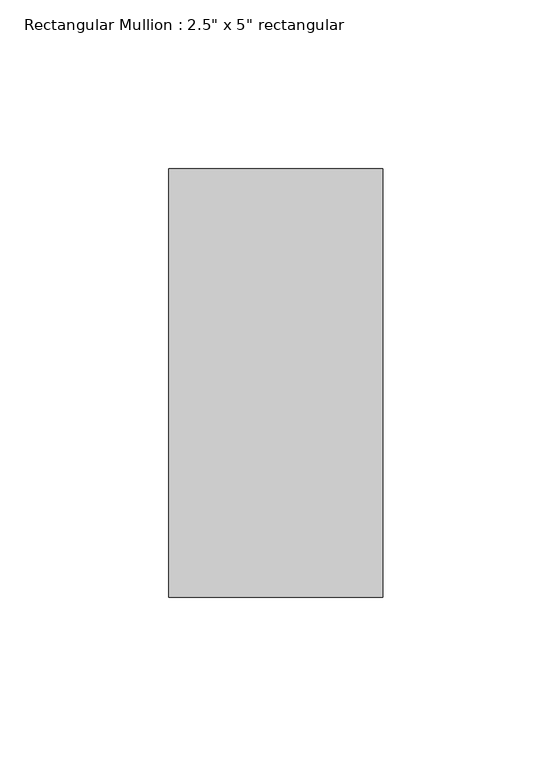
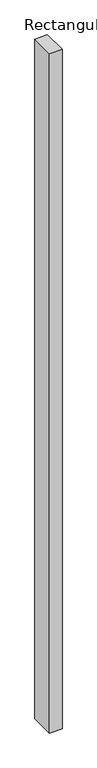
"""IFC4 building model written with IfcOpenShell, lengths in millimetres: member geometry."""

import ifcopenshell
import ifcopenshell.guid

model = None  # the IFC model being written
_history = None  # IfcOwnerHistory: only IFC2X3 demands one
_inside = {}  # id of a spatial element -> (the spatial element, [elements in it])
_under = {}  # id of a project, library or spatial element -> (it, [spatial elements below it])
_declared = {}  # id of a project -> (the project, [libraries it declares])
_typed = {}  # id of a type object -> (the type object, [elements of that type])
_made_of = {}  # id of a material, layer set ... -> (it, [elements and type objects made of it])


def new_model(schema):
    """Start an empty IFC model of exactly this schema.

    Asked for "IFC4X3", IfcOpenShell would pick the latest addendum, in which some entities
    have other attributes; the version numbers below select the first issue.
    IFC2X3 requires an IfcOwnerHistory on every rooted entity: one is made here for all.
    """
    global model, _history
    if schema == "IFC4X3":
        model = ifcopenshell.file(schema_version=(4, 3, 0, 0))
    else:
        model = ifcopenshell.file(schema=schema)
    _inside.clear()
    _under.clear()
    _declared.clear()
    _typed.clear()
    _made_of.clear()
    _history = None
    if model.schema == "IFC2X3":
        org = make("IfcOrganization", Name="unknown")
        user = make(
            "IfcPersonAndOrganization",
            ThePerson=make("IfcPerson", FamilyName="unknown"),
            TheOrganization=org,
        )
        app = make(
            "IfcApplication",
            ApplicationDeveloper=org,
            Version="unknown",
            ApplicationFullName="unknown",
            ApplicationIdentifier="unknown",
        )
        _history = make(
            "IfcOwnerHistory",
            OwningUser=user,
            OwningApplication=app,
            ChangeAction="ADDED",
            CreationDate=0,
        )
    return model


def make(cls, **values):
    """One entity of the class cls with the attributes given. An attribute that is None is left unset."""
    return model.create_entity(
        cls, **{name: value for name, value in values.items() if value is not None}
    )


def rooted(cls, **values):
    """An entity with a GlobalId (a new one), such as an element, a storey or a relation."""
    return make(cls, GlobalId=ifcopenshell.guid.new(), OwnerHistory=_history, **values)


def si_unit(unit_type, name, prefix=None):
    """IfcSIUnit, for example si_unit("LENGTHUNIT", "METRE", prefix="MILLI")."""
    return make("IfcSIUnit", UnitType=unit_type, Prefix=prefix, Name=name)


def assignment(units):
    """IfcUnitAssignment: the units of a project."""
    return None if units is None else make("IfcUnitAssignment", Units=units)


def point(xyz):
    """IfcCartesianPoint."""
    return None if xyz is None else make("IfcCartesianPoint", Coordinates=xyz)


def direction(xyz):
    """IfcDirection."""
    return None if xyz is None else make("IfcDirection", DirectionRatios=xyz)


def frame(location, z_axis=None, x_axis=None):
    """IfcAxis2Placement3D, a coordinate frame: its origin and axes. An axis left out is left unset."""
    return make(
        "IfcAxis2Placement3D",
        Location=point(location),
        Axis=direction(z_axis),
        RefDirection=direction(x_axis),
    )


def origin():
    """The frame at (0, 0, 0) with its axes left unset."""
    return frame((0.0, 0.0, 0.0))


def place(relative_to, where):
    """IfcLocalPlacement: puts the frame where relative to a parent placement (None: the world)."""
    return make(
        "IfcLocalPlacement", PlacementRelTo=relative_to, RelativePlacement=where
    )


def context(
    kind, dimensions, precision=None, world=None, true_north=None, identifier=None
):
    """IfcGeometricRepresentationContext, for example the 3D "Model" context."""
    return make(
        "IfcGeometricRepresentationContext",
        ContextIdentifier=identifier,
        ContextType=kind,
        CoordinateSpaceDimension=dimensions,
        Precision=precision,
        WorldCoordinateSystem=world,
        TrueNorth=true_north,
    )


def project(units=None, contexts=None):
    """IfcProject with its units and contexts."""
    return rooted(
        "IfcProject",
        Name="project",
        RepresentationContexts=contexts,
        UnitsInContext=assignment(units),
    )


def spatial(cls, under=None, at=None, **own):
    """A site, building, storey or space (cls), placed at a placement, below another one or the project."""
    s = rooted(cls, ObjectPlacement=at, **own)
    if under is not None:
        _under.setdefault(under.id(), (under, []))[1].append(s)
    return s


def polyline(points):
    """IfcPolyline through the points."""
    return make("IfcPolyline", Points=[point(p) for p in points])


def outline(outer, holes=None, kind="AREA"):
    """IfcArbitraryClosedProfileDef: a profile drawn as a closed curve; with holes, ...WithVoids."""
    if holes is None:
        return make("IfcArbitraryClosedProfileDef", ProfileType=kind, OuterCurve=outer)
    return make(
        "IfcArbitraryProfileDefWithVoids",
        ProfileType=kind,
        OuterCurve=outer,
        InnerCurves=holes,
    )


def extrude(swept, where, along, depth):
    """IfcExtrudedAreaSolid: the profile swept, set in the frame where, extruded along a direction by depth."""
    return make(
        "IfcExtrudedAreaSolid",
        SweptArea=swept,
        Position=where,
        ExtrudedDirection=direction(along),
        Depth=depth,
    )


def shape(context_of_items, identifier, shape_type, items):
    """IfcShapeRepresentation: the items that make up one representation, for example the "Body"."""
    return make(
        "IfcShapeRepresentation",
        ContextOfItems=context_of_items,
        RepresentationIdentifier=identifier,
        RepresentationType=shape_type,
        Items=items,
    )


def source(mapping_origin, context_of_items, identifier, shape_type, items):
    """IfcRepresentationMap: a shape defined once, which mapped items show again and again."""
    return make(
        "IfcRepresentationMap",
        MappingOrigin=mapping_origin,
        MappedRepresentation=shape(context_of_items, identifier, shape_type, items),
    )


def transform(
    local_origin,
    x_axis=None,
    y_axis=None,
    z_axis=None,
    scale=None,
    scale2=None,
    scale3=None,
    uniform=True,
):
    """IfcCartesianTransformationOperator3D, or its non-uniform kind. x_axis, y_axis, z_axis: its Axis1, 2, 3."""
    if uniform:
        return make(
            "IfcCartesianTransformationOperator3D",
            Axis1=direction(x_axis),
            Axis2=direction(y_axis),
            LocalOrigin=point(local_origin),
            Scale=scale,
            Axis3=direction(z_axis),
        )
    return make(
        "IfcCartesianTransformationOperator3DnonUniform",
        Axis1=direction(x_axis),
        Axis2=direction(y_axis),
        LocalOrigin=point(local_origin),
        Scale=scale,
        Axis3=direction(z_axis),
        Scale2=scale2,
        Scale3=scale3,
    )


def mapped(mapping_source, mapping_target):
    """IfcMappedItem: shows the shape of a source again, moved by a transform."""
    return make(
        "IfcMappedItem", MappingSource=mapping_source, MappingTarget=mapping_target
    )


def made_of(thing, what):
    """Note that an element or type object is made of a material, layer set ...; save() writes the relation."""
    if what is not None:
        _made_of.setdefault(what.id(), (what, []))[1].append(thing)
    return thing


def element(
    cls,
    number,
    at=None,
    inside=None,
    cuts=None,
    type_object=None,
    material=None,
    context=None,
    identifier="Body",
    shape_type=None,
    held_by="IfcProductDefinitionShape",
    body=None,
    shapes=None,
    **own,
):
    """One element of the class cls, such as IfcWall. Its Tag is "e" and its number.

    at: its placement. inside: the storey or other place that contains it. cuts: it is an
    opening in that element (IfcRelVoidsElement). A single representation is given by context,
    identifier, shape_type and body (its items); several are given by shapes. held_by: the class
    of the entity that holds the representations. save() writes the other relations.
    """
    e = rooted(cls, Tag="e%d" % number, ObjectPlacement=at, **own)
    if body is not None:
        shapes = [shape(context, identifier, shape_type, body)]
    if shapes is not None:
        e.Representation = make(held_by, Representations=shapes)
    if inside is not None:
        _inside.setdefault(inside.id(), (inside, []))[1].append(e)
    if cuts is not None:
        rooted(
            "IfcRelVoidsElement", RelatingBuildingElement=cuts, RelatedOpeningElement=e
        )
    if type_object is not None:
        _typed.setdefault(type_object.id(), (type_object, []))[1].append(e)
    return made_of(e, material)


def aggregate(whole, parts):
    """IfcRelAggregates: a whole, such as a stair, and the parts it consists of."""
    return rooted("IfcRelAggregates", RelatingObject=whole, RelatedObjects=parts)


def save(model, path):
    """Write the relations noted so far, then the file.

    IfcRelAggregates (storeys below a building ...), IfcRelContainedInSpatialStructure (elements
    in a storey), IfcRelDefinesByType, IfcRelAssociatesMaterial and IfcRelDeclares: one each for
    every whole, place, type object, material and project.
    """
    for whole, parts in _under.values():
        aggregate(whole, parts)
    for where, things in _inside.values():
        rooted(
            "IfcRelContainedInSpatialStructure",
            RelatedElements=things,
            RelatingStructure=where,
        )
    for kind, things in _typed.values():
        rooted("IfcRelDefinesByType", RelatedObjects=things, RelatingType=kind)
    for what, things in _made_of.values():
        rooted("IfcRelAssociatesMaterial", RelatedObjects=things, RelatingMaterial=what)
    for by, libraries in _declared.values():
        rooted("IfcRelDeclares", RelatingContext=by, RelatedDefinitions=libraries)
    model.write(path)


def member_5bf9a47f(model_context):
    return source(origin(), model_context, "Body", "SweptSolid", [
        extrude(outline(polyline([(0.0, 63.5), (0.0, -63.5), (-63.5, -63.5), (-63.5, 63.5), (0.0, 63.5)])), frame((0.0, 0.0, -3625.85), z_axis=(0.0, 0.0, 1.0), x_axis=(1.0, 0.0, 0.0)), (0.0, 0.0, 1.0), 3625.85),
    ])


if __name__ == "__main__":
    model = new_model("IFC4")
    model_context = context("Model", 3, world=origin())
    ifc_project = project(units=[si_unit("LENGTHUNIT", "METRE", prefix="MILLI")], contexts=[model_context])
    site = spatial("IfcSite", under=ifc_project)
    building = spatial("IfcBuilding", under=site)
    placement = place(None, origin())
    member_shape = member_5bf9a47f(model_context)
    element("IfcMember", 1, ObjectType="Rectangular Mullion : 2.5\" x 5\" rectangular", at=placement, inside=building, context=model_context, shape_type="MappedRepresentation", body=[
        mapped(member_shape, transform((0.0, 0.0, 0.0), x_axis=(1.0, 0.0, 0.0), y_axis=(0.0, 1.0, 0.0), z_axis=(0.0, 0.0, 1.0))),
    ])
    save(model, "model.ifc")
